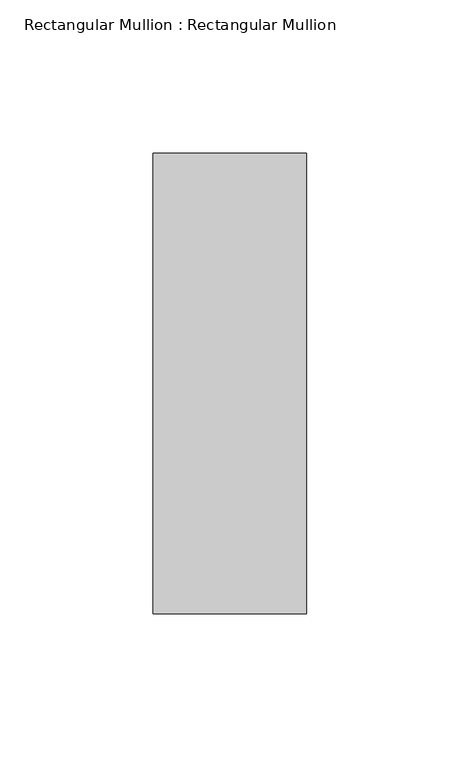
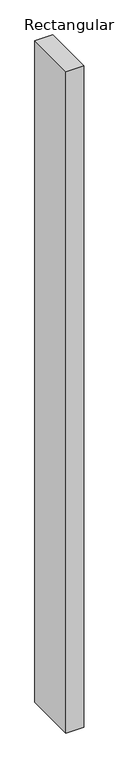
"""IFC4 building model written with IfcOpenShell, lengths in millimetres: member geometry, Rectangular Mullion : Rectangular Mullion."""

import ifcopenshell
import ifcopenshell.guid

model = None  # the IFC model being written
_history = None  # IfcOwnerHistory: only IFC2X3 demands one
_inside = {}  # id of a spatial element -> (the spatial element, [elements in it])
_under = {}  # id of a project, library or spatial element -> (it, [spatial elements below it])
_declared = {}  # id of a project -> (the project, [libraries it declares])
_typed = {}  # id of a type object -> (the type object, [elements of that type])
_made_of = {}  # id of a material, layer set ... -> (it, [elements and type objects made of it])


def new_model(schema):
    """Start an empty IFC model of exactly this schema.

    Asked for "IFC4X3", IfcOpenShell would pick the latest addendum, in which some entities
    have other attributes; the version numbers below select the first issue.
    IFC2X3 requires an IfcOwnerHistory on every rooted entity: one is made here for all.
    """
    global model, _history
    if schema == "IFC4X3":
        model = ifcopenshell.file(schema_version=(4, 3, 0, 0))
    else:
        model = ifcopenshell.file(schema=schema)
    _inside.clear()
    _under.clear()
    _declared.clear()
    _typed.clear()
    _made_of.clear()
    _history = None
    if model.schema == "IFC2X3":
        org = make("IfcOrganization", Name="unknown")
        user = make(
            "IfcPersonAndOrganization",
            ThePerson=make("IfcPerson", FamilyName="unknown"),
            TheOrganization=org,
        )
        app = make(
            "IfcApplication",
            ApplicationDeveloper=org,
            Version="unknown",
            ApplicationFullName="unknown",
            ApplicationIdentifier="unknown",
        )
        _history = make(
            "IfcOwnerHistory",
            OwningUser=user,
            OwningApplication=app,
            ChangeAction="ADDED",
            CreationDate=0,
        )
    return model


def make(cls, **values):
    """One entity of the class cls with the attributes given. An attribute that is None is left unset."""
    return model.create_entity(
        cls, **{name: value for name, value in values.items() if value is not None}
    )


def rooted(cls, **values):
    """An entity with a GlobalId (a new one), such as an element, a storey or a relation."""
    return make(cls, GlobalId=ifcopenshell.guid.new(), OwnerHistory=_history, **values)


def si_unit(unit_type, name, prefix=None):
    """IfcSIUnit, for example si_unit("LENGTHUNIT", "METRE", prefix="MILLI")."""
    return make("IfcSIUnit", UnitType=unit_type, Prefix=prefix, Name=name)


def assignment(units):
    """IfcUnitAssignment: the units of a project."""
    return None if units is None else make("IfcUnitAssignment", Units=units)


def point(xyz):
    """IfcCartesianPoint."""
    return None if xyz is None else make("IfcCartesianPoint", Coordinates=xyz)


def direction(xyz):
    """IfcDirection."""
    return None if xyz is None else make("IfcDirection", DirectionRatios=xyz)


def frame(location, z_axis=None, x_axis=None):
    """IfcAxis2Placement3D, a coordinate frame: its origin and axes. An axis left out is left unset."""
    return make(
        "IfcAxis2Placement3D",
        Location=point(location),
        Axis=direction(z_axis),
        RefDirection=direction(x_axis),
    )


def origin():
    """The frame at (0, 0, 0) with its axes left unset."""
    return frame((0.0, 0.0, 0.0))


def place(relative_to, where):
    """IfcLocalPlacement: puts the frame where relative to a parent placement (None: the world)."""
    return make(
        "IfcLocalPlacement", PlacementRelTo=relative_to, RelativePlacement=where
    )


def context(
    kind, dimensions, precision=None, world=None, true_north=None, identifier=None
):
    """IfcGeometricRepresentationContext, for example the 3D "Model" context."""
    return make(
        "IfcGeometricRepresentationContext",
        ContextIdentifier=identifier,
        ContextType=kind,
        CoordinateSpaceDimension=dimensions,
        Precision=precision,
        WorldCoordinateSystem=world,
        TrueNorth=true_north,
    )


def project(units=None, contexts=None):
    """IfcProject with its units and contexts."""
    return rooted(
        "IfcProject",
        Name="project",
        RepresentationContexts=contexts,
        UnitsInContext=assignment(units),
    )


def spatial(cls, under=None, at=None, **own):
    """A site, building, storey or space (cls), placed at a placement, below another one or the project."""
    s = rooted(cls, ObjectPlacement=at, **own)
    if under is not None:
        _under.setdefault(under.id(), (under, []))[1].append(s)
    return s


def polyline(points):
    """IfcPolyline through the points."""
    return make("IfcPolyline", Points=[point(p) for p in points])


def outline(outer, holes=None, kind="AREA"):
    """IfcArbitraryClosedProfileDef: a profile drawn as a closed curve; with holes, ...WithVoids."""
    if holes is None:
        return make("IfcArbitraryClosedProfileDef", ProfileType=kind, OuterCurve=outer)
    return make(
        "IfcArbitraryProfileDefWithVoids",
        ProfileType=kind,
        OuterCurve=outer,
        InnerCurves=holes,
    )


def extrude(swept, where, along, depth):
    """IfcExtrudedAreaSolid: the profile swept, set in the frame where, extruded along a direction by depth."""
    return make(
        "IfcExtrudedAreaSolid",
        SweptArea=swept,
        Position=where,
        ExtrudedDirection=direction(along),
        Depth=depth,
    )


def shape(context_of_items, identifier, shape_type, items):
    """IfcShapeRepresentation: the items that make up one representation, for example the "Body"."""
    return make(
        "IfcShapeRepresentation",
        ContextOfItems=context_of_items,
        RepresentationIdentifier=identifier,
        RepresentationType=shape_type,
        Items=items,
    )


def source(mapping_origin, context_of_items, identifier, shape_type, items):
    """IfcRepresentationMap: a shape defined once, which mapped items show again and again."""
    return make(
        "IfcRepresentationMap",
        MappingOrigin=mapping_origin,
        MappedRepresentation=shape(context_of_items, identifier, shape_type, items),
    )


def transform(
    local_origin,
    x_axis=None,
    y_axis=None,
    z_axis=None,
    scale=None,
    scale2=None,
    scale3=None,
    uniform=True,
):
    """IfcCartesianTransformationOperator3D, or its non-uniform kind. x_axis, y_axis, z_axis: its Axis1, 2, 3."""
    if uniform:
        return make(
            "IfcCartesianTransformationOperator3D",
            Axis1=direction(x_axis),
            Axis2=direction(y_axis),
            LocalOrigin=point(local_origin),
            Scale=scale,
            Axis3=direction(z_axis),
        )
    return make(
        "IfcCartesianTransformationOperator3DnonUniform",
        Axis1=direction(x_axis),
        Axis2=direction(y_axis),
        LocalOrigin=point(local_origin),
        Scale=scale,
        Axis3=direction(z_axis),
        Scale2=scale2,
        Scale3=scale3,
    )


def mapped(mapping_source, mapping_target):
    """IfcMappedItem: shows the shape of a source again, moved by a transform."""
    return make(
        "IfcMappedItem", MappingSource=mapping_source, MappingTarget=mapping_target
    )


def made_of(thing, what):
    """Note that an element or type object is made of a material, layer set ...; save() writes the relation."""
    if what is not None:
        _made_of.setdefault(what.id(), (what, []))[1].append(thing)
    return thing


def element(
    cls,
    number,
    at=None,
    inside=None,
    cuts=None,
    type_object=None,
    material=None,
    context=None,
    identifier="Body",
    shape_type=None,
    held_by="IfcProductDefinitionShape",
    body=None,
    shapes=None,
    **own,
):
    """One element of the class cls, such as IfcWall. Its Tag is "e" and its number.

    at: its placement. inside: the storey or other place that contains it. cuts: it is an
    opening in that element (IfcRelVoidsElement). A single representation is given by context,
    identifier, shape_type and body (its items); several are given by shapes. held_by: the class
    of the entity that holds the representations. save() writes the other relations.
    """
    e = rooted(cls, Tag="e%d" % number, ObjectPlacement=at, **own)
    if body is not None:
        shapes = [shape(context, identifier, shape_type, body)]
    if shapes is not None:
        e.Representation = make(held_by, Representations=shapes)
    if inside is not None:
        _inside.setdefault(inside.id(), (inside, []))[1].append(e)
    if cuts is not None:
        rooted(
            "IfcRelVoidsElement", RelatingBuildingElement=cuts, RelatedOpeningElement=e
        )
    if type_object is not None:
        _typed.setdefault(type_object.id(), (type_object, []))[1].append(e)
    return made_of(e, material)


def aggregate(whole, parts):
    """IfcRelAggregates: a whole, such as a stair, and the parts it consists of."""
    return rooted("IfcRelAggregates", RelatingObject=whole, RelatedObjects=parts)


def save(model, path):
    """Write the relations noted so far, then the file.

    IfcRelAggregates (storeys below a building ...), IfcRelContainedInSpatialStructure (elements
    in a storey), IfcRelDefinesByType, IfcRelAssociatesMaterial and IfcRelDeclares: one each for
    every whole, place, type object, material and project.
    """
    for whole, parts in _under.values():
        aggregate(whole, parts)
    for where, things in _inside.values():
        rooted(
            "IfcRelContainedInSpatialStructure",
            RelatedElements=things,
            RelatingStructure=where,
        )
    for kind, things in _typed.values():
        rooted("IfcRelDefinesByType", RelatedObjects=things, RelatingType=kind)
    for what, things in _made_of.values():
        rooted("IfcRelAssociatesMaterial", RelatedObjects=things, RelatingMaterial=what)
    for by, libraries in _declared.values():
        rooted("IfcRelDeclares", RelatingContext=by, RelatedDefinitions=libraries)
    model.write(path)


def rectangular_mullion_rectangular_mullion_b8bd25da(model_context):
    return source(origin(), model_context, "Body", "SweptSolid", [
        extrude(outline(polyline([(0.0, 0.0), (0.0, -150.0), (-50.0, -150.0), (-50.0, 0.0), (0.0, 0.0)])), frame((0.0, 0.0, -1958.3333333), z_axis=(0.0, 0.0, 1.0), x_axis=(1.0, 0.0, 0.0)), (0.0, 0.0, 1.0), 1958.3333333),
    ])


if __name__ == "__main__":
    model = new_model("IFC4")
    model_context = context("Model", 3, world=origin())
    ifc_project = project(units=[si_unit("LENGTHUNIT", "METRE", prefix="MILLI")], contexts=[model_context])
    site = spatial("IfcSite", under=ifc_project)
    building = spatial("IfcBuilding", under=site)
    placement = place(None, origin())
    rectangular_mullion_rectangular_mullion_shape = rectangular_mullion_rectangular_mullion_b8bd25da(model_context)
    element("IfcMember", 1, ObjectType="Rectangular Mullion : Rectangular Mullion", at=placement, inside=building, context=model_context, shape_type="MappedRepresentation", body=[
        mapped(rectangular_mullion_rectangular_mullion_shape, transform((0.0, 0.0, 0.0), x_axis=(1.0, 0.0, 0.0), y_axis=(0.0, 1.0, 0.0), z_axis=(0.0, 0.0, 1.0))),
    ])
    save(model, "model.ifc")
